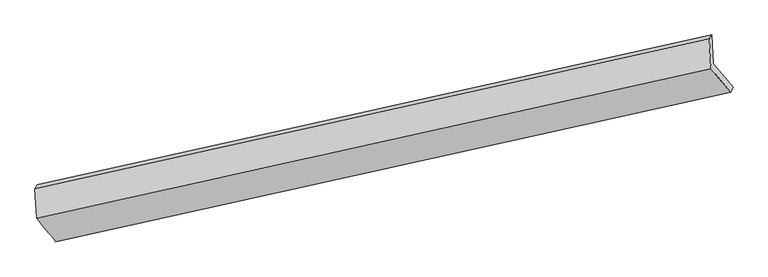
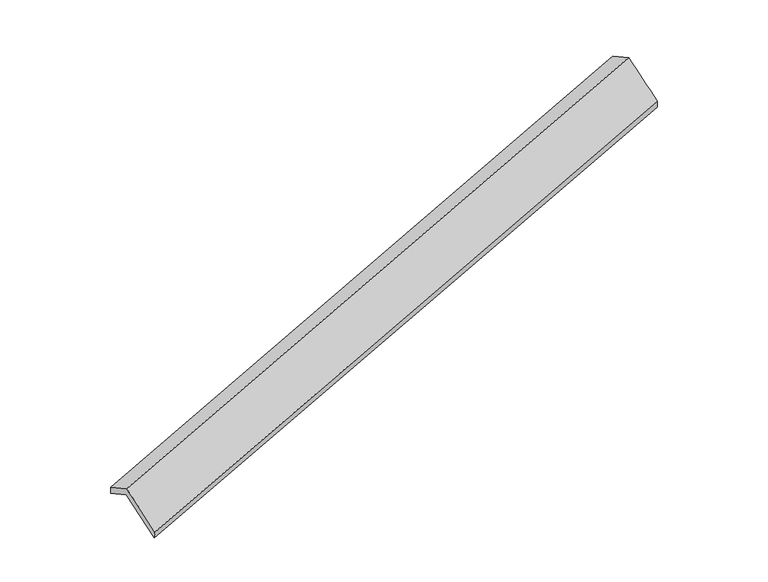
"""IFC4 building model written with IfcOpenShell, lengths in millimetres: proxy geometry."""

from ifc_helpers import new_model, si_unit, frame, origin, place, context, project, spatial, source, transform, mapped, element, save
from ifc_brep_helpers import plane_surface, spline_surface, advanced_brep


def generic_models_81df6435(model_context):
    return source(origin(), model_context, "Body", "AdvancedBrep", [
        advanced_brep(
        [(-7526.4307679, -2520.7554829, 719.0613194), (-7549.600222, -2126.9137321, 509.7205824), (1651.6602902, -84.1207989, 3338.3249295), (1674.8297443, -477.9625497, 3547.6656664), (-7582.0967871, -2179.820484, 654.6969746), (1618.6360182, -137.1447949, 3483.139151), (-7558.1901598, -2586.1929403, 870.6982222), (1642.5426455, -543.5172513, 3699.1403985), (-7294.5122923, -2907.0384518, 237.8943441), (1909.8483589, -863.5567405, 3067.4514015), (-7263.6626913, -2840.493953, 88.44086), (1944.744701, -801.1260309, 2909.8105822)],
        [
            (0, 1),
            (1, 2),
            (2, 3),
            (3, 0),
            (1, 4),
            (4, 5),
            (5, 2),
            (4, 6),
            (6, 7),
            (7, 5),
            (6, 8),
            (8, 9),
            (9, 7),
            (8, 10),
            (10, 11),
            (11, 9),
            (10, 0),
            (3, 11),
        ],
        [
            plane_surface(frame((-7538.0154949, -2323.8346075, 614.3909509), z_axis=(0.35077408518488795, -0.42335589839317395, -0.8353007389308438), x_axis=(-0.051877037204740135, 0.8818223809044543, -0.46871959799741414))),
            spline_surface(1, 1, [[(-7549.600222, -2126.9137321, 509.7205824), (1651.6602902, -84.1207989, 3338.3249295)], [(-7582.0967871, -2179.820484, 654.6969746), (1618.6360182, -137.1447949, 3483.139151)]], [2, 2], [2, 2], [0.0, 1.0], [0.0, 1.0]),
            plane_surface(frame((-7570.1434735, -2383.0067121, 762.6975984), z_axis=(-0.3507740860025971, 0.4233558982115604, 0.8353007386795043), x_axis=(0.05187703720471992, -0.8818223809044201, 0.46871959799748064))),
            spline_surface(1, 1, [[(-7558.1901598, -2586.1929403, 870.6982222), (1642.5426455, -543.5172513, 3699.1403985)], [(-7294.5122923, -2907.0384518, 237.8943441), (1909.8483589, -863.5567405, 3067.4514015)]], [2, 2], [2, 2], [0.0, 1.0], [0.0, 1.0]),
            spline_surface(1, 1, [[(-7294.5122923, -2907.0384518, 237.8943441), (1909.8483589, -863.5567405, 3067.4514015)], [(-7263.6626913, -2840.493953, 88.44086), (1944.744701, -801.1260309, 2909.8105822)]], [2, 2], [2, 2], [0.0, 1.0], [0.0, 1.0]),
            spline_surface(1, 1, [[(-7263.6626913, -2840.493953, 88.44086), (1944.744701, -801.1260309, 2909.8105822)], [(-7526.4307679, -2520.7554829, 719.0613194), (1674.8297443, -477.9625497, 3547.6656664)]], [2, 2], [2, 2], [0.0, 1.0], [0.0, 1.0]),
            plane_surface(frame((1740.3769597, -484.571361, 3340.9220215), z_axis=(0.9341253660110512, 0.20882555549905069, 0.28948521196294724), x_axis=(0.20158847159729873, 0.3606484386517606, -0.9106562423972684))),
            plane_surface(frame((-7462.4154867, -2526.869174, 513.4187171), z_axis=(-0.9359233741298166, -0.20665540094838333, -0.2852034063897596), x_axis=(0.34836218332119845, -0.4238901199542998, -0.8360388480428509))),
        ],
        [
            (0, [[1, 2, 3, 4]]),
            (1, [[5, 6, 7, -2]]),
            (2, [[8, 9, 10, -6]]),
            (3, [[11, 12, 13, -9]]),
            (4, [[14, 15, 16, -12]]),
            (5, [[17, -4, 18, -15]]),
            (6, [[-16, -18, -3, -7, -10, -13]]),
            (7, [[-17, -14, -11, -8, -5, -1]]),
        ],
    ),
    ])


if __name__ == "__main__":
    model = new_model("IFC4")
    model_context = context("Model", 3, world=origin())
    ifc_project = project(units=[si_unit("LENGTHUNIT", "METRE", prefix="MILLI")], contexts=[model_context])
    site = spatial("IfcSite", under=ifc_project)
    building = spatial("IfcBuilding", under=site)
    placement = place(None, origin())
    generic_models_shape = generic_models_81df6435(model_context)
    element("IfcBuildingElementProxy", 1, Name="Generic Models", at=placement, inside=building, context=model_context, shape_type="MappedRepresentation", body=[
        mapped(generic_models_shape, transform((0.0, 0.0, 0.0), x_axis=(1.0, 0.0, 0.0), y_axis=(0.0, 1.0, 0.0), z_axis=(0.0, 0.0, 1.0))),
    ])
    save(model, "model.ifc")
